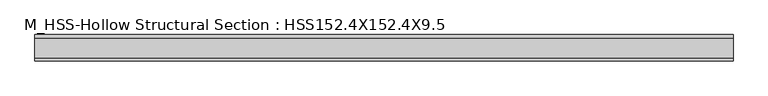
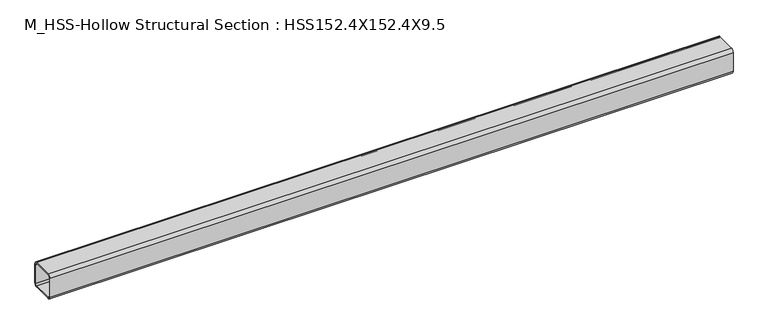
"""IFC4 building model written with IfcOpenShell, lengths in millimetres: member geometry, M_HSS-Hollow Structural Section : HSS152.4X152.4X9.5."""

import ifcopenshell
import ifcopenshell.guid

model = None  # the IFC model being written
_history = None  # IfcOwnerHistory: only IFC2X3 demands one
_inside = {}  # id of a spatial element -> (the spatial element, [elements in it])
_under = {}  # id of a project, library or spatial element -> (it, [spatial elements below it])
_declared = {}  # id of a project -> (the project, [libraries it declares])
_typed = {}  # id of a type object -> (the type object, [elements of that type])
_made_of = {}  # id of a material, layer set ... -> (it, [elements and type objects made of it])


def new_model(schema):
    """Start an empty IFC model of exactly this schema.

    Asked for "IFC4X3", IfcOpenShell would pick the latest addendum, in which some entities
    have other attributes; the version numbers below select the first issue.
    IFC2X3 requires an IfcOwnerHistory on every rooted entity: one is made here for all.
    """
    global model, _history
    if schema == "IFC4X3":
        model = ifcopenshell.file(schema_version=(4, 3, 0, 0))
    else:
        model = ifcopenshell.file(schema=schema)
    _inside.clear()
    _under.clear()
    _declared.clear()
    _typed.clear()
    _made_of.clear()
    _history = None
    if model.schema == "IFC2X3":
        org = make("IfcOrganization", Name="unknown")
        user = make(
            "IfcPersonAndOrganization",
            ThePerson=make("IfcPerson", FamilyName="unknown"),
            TheOrganization=org,
        )
        app = make(
            "IfcApplication",
            ApplicationDeveloper=org,
            Version="unknown",
            ApplicationFullName="unknown",
            ApplicationIdentifier="unknown",
        )
        _history = make(
            "IfcOwnerHistory",
            OwningUser=user,
            OwningApplication=app,
            ChangeAction="ADDED",
            CreationDate=0,
        )
    return model


def make(cls, **values):
    """One entity of the class cls with the attributes given. An attribute that is None is left unset."""
    return model.create_entity(
        cls, **{name: value for name, value in values.items() if value is not None}
    )


def rooted(cls, **values):
    """An entity with a GlobalId (a new one), such as an element, a storey or a relation."""
    return make(cls, GlobalId=ifcopenshell.guid.new(), OwnerHistory=_history, **values)


def si_unit(unit_type, name, prefix=None):
    """IfcSIUnit, for example si_unit("LENGTHUNIT", "METRE", prefix="MILLI")."""
    return make("IfcSIUnit", UnitType=unit_type, Prefix=prefix, Name=name)


def assignment(units):
    """IfcUnitAssignment: the units of a project."""
    return None if units is None else make("IfcUnitAssignment", Units=units)


def point(xyz):
    """IfcCartesianPoint."""
    return None if xyz is None else make("IfcCartesianPoint", Coordinates=xyz)


def direction(xyz):
    """IfcDirection."""
    return None if xyz is None else make("IfcDirection", DirectionRatios=xyz)


def frame(location, z_axis=None, x_axis=None):
    """IfcAxis2Placement3D, a coordinate frame: its origin and axes. An axis left out is left unset."""
    return make(
        "IfcAxis2Placement3D",
        Location=point(location),
        Axis=direction(z_axis),
        RefDirection=direction(x_axis),
    )


def frame_2d(location, x_axis=None):
    """IfcAxis2Placement2D, a coordinate frame in the plane: its origin and x axis."""
    return make(
        "IfcAxis2Placement2D", Location=point(location), RefDirection=direction(x_axis)
    )


def origin():
    """The frame at (0, 0, 0) with its axes left unset."""
    return frame((0.0, 0.0, 0.0))


def place(relative_to, where):
    """IfcLocalPlacement: puts the frame where relative to a parent placement (None: the world)."""
    return make(
        "IfcLocalPlacement", PlacementRelTo=relative_to, RelativePlacement=where
    )


def context(
    kind, dimensions, precision=None, world=None, true_north=None, identifier=None
):
    """IfcGeometricRepresentationContext, for example the 3D "Model" context."""
    return make(
        "IfcGeometricRepresentationContext",
        ContextIdentifier=identifier,
        ContextType=kind,
        CoordinateSpaceDimension=dimensions,
        Precision=precision,
        WorldCoordinateSystem=world,
        TrueNorth=true_north,
    )


def project(units=None, contexts=None):
    """IfcProject with its units and contexts."""
    return rooted(
        "IfcProject",
        Name="project",
        RepresentationContexts=contexts,
        UnitsInContext=assignment(units),
    )


def spatial(cls, under=None, at=None, **own):
    """A site, building, storey or space (cls), placed at a placement, below another one or the project."""
    s = rooted(cls, ObjectPlacement=at, **own)
    if under is not None:
        _under.setdefault(under.id(), (under, []))[1].append(s)
    return s


def polyline(points):
    """IfcPolyline through the points."""
    return make("IfcPolyline", Points=[point(p) for p in points])


def circle_curve(where, radius):
    """IfcCircle in the frame where."""
    return make("IfcCircle", Position=where, Radius=radius)


def trimmed(basis, trim1, trim2, sense, master):
    """IfcTrimmedCurve: the piece of a basis curve between two trims."""
    return make(
        "IfcTrimmedCurve",
        BasisCurve=basis,
        Trim1=trim1,
        Trim2=trim2,
        SenseAgreement=sense,
        MasterRepresentation=master,
    )


def segment(curve, same_sense, transition):
    """IfcCompositeCurveSegment."""
    return make(
        "IfcCompositeCurveSegment",
        Transition=transition,
        SameSense=same_sense,
        ParentCurve=curve,
    )


def composite_curve(segments, self_intersect=None):
    """IfcCompositeCurve: segments joined end to end."""
    return make("IfcCompositeCurve", Segments=segments, SelfIntersect=self_intersect)


def outline(outer, holes=None, kind="AREA"):
    """IfcArbitraryClosedProfileDef: a profile drawn as a closed curve; with holes, ...WithVoids."""
    if holes is None:
        return make("IfcArbitraryClosedProfileDef", ProfileType=kind, OuterCurve=outer)
    return make(
        "IfcArbitraryProfileDefWithVoids",
        ProfileType=kind,
        OuterCurve=outer,
        InnerCurves=holes,
    )


def extrude(swept, where, along, depth):
    """IfcExtrudedAreaSolid: the profile swept, set in the frame where, extruded along a direction by depth."""
    return make(
        "IfcExtrudedAreaSolid",
        SweptArea=swept,
        Position=where,
        ExtrudedDirection=direction(along),
        Depth=depth,
    )


def shape(context_of_items, identifier, shape_type, items):
    """IfcShapeRepresentation: the items that make up one representation, for example the "Body"."""
    return make(
        "IfcShapeRepresentation",
        ContextOfItems=context_of_items,
        RepresentationIdentifier=identifier,
        RepresentationType=shape_type,
        Items=items,
    )


def source(mapping_origin, context_of_items, identifier, shape_type, items):
    """IfcRepresentationMap: a shape defined once, which mapped items show again and again."""
    return make(
        "IfcRepresentationMap",
        MappingOrigin=mapping_origin,
        MappedRepresentation=shape(context_of_items, identifier, shape_type, items),
    )


def transform(
    local_origin,
    x_axis=None,
    y_axis=None,
    z_axis=None,
    scale=None,
    scale2=None,
    scale3=None,
    uniform=True,
):
    """IfcCartesianTransformationOperator3D, or its non-uniform kind. x_axis, y_axis, z_axis: its Axis1, 2, 3."""
    if uniform:
        return make(
            "IfcCartesianTransformationOperator3D",
            Axis1=direction(x_axis),
            Axis2=direction(y_axis),
            LocalOrigin=point(local_origin),
            Scale=scale,
            Axis3=direction(z_axis),
        )
    return make(
        "IfcCartesianTransformationOperator3DnonUniform",
        Axis1=direction(x_axis),
        Axis2=direction(y_axis),
        LocalOrigin=point(local_origin),
        Scale=scale,
        Axis3=direction(z_axis),
        Scale2=scale2,
        Scale3=scale3,
    )


def mapped(mapping_source, mapping_target):
    """IfcMappedItem: shows the shape of a source again, moved by a transform."""
    return make(
        "IfcMappedItem", MappingSource=mapping_source, MappingTarget=mapping_target
    )


def made_of(thing, what):
    """Note that an element or type object is made of a material, layer set ...; save() writes the relation."""
    if what is not None:
        _made_of.setdefault(what.id(), (what, []))[1].append(thing)
    return thing


def element(
    cls,
    number,
    at=None,
    inside=None,
    cuts=None,
    type_object=None,
    material=None,
    context=None,
    identifier="Body",
    shape_type=None,
    held_by="IfcProductDefinitionShape",
    body=None,
    shapes=None,
    **own,
):
    """One element of the class cls, such as IfcWall. Its Tag is "e" and its number.

    at: its placement. inside: the storey or other place that contains it. cuts: it is an
    opening in that element (IfcRelVoidsElement). A single representation is given by context,
    identifier, shape_type and body (its items); several are given by shapes. held_by: the class
    of the entity that holds the representations. save() writes the other relations.
    """
    e = rooted(cls, Tag="e%d" % number, ObjectPlacement=at, **own)
    if body is not None:
        shapes = [shape(context, identifier, shape_type, body)]
    if shapes is not None:
        e.Representation = make(held_by, Representations=shapes)
    if inside is not None:
        _inside.setdefault(inside.id(), (inside, []))[1].append(e)
    if cuts is not None:
        rooted(
            "IfcRelVoidsElement", RelatingBuildingElement=cuts, RelatedOpeningElement=e
        )
    if type_object is not None:
        _typed.setdefault(type_object.id(), (type_object, []))[1].append(e)
    return made_of(e, material)


def aggregate(whole, parts):
    """IfcRelAggregates: a whole, such as a stair, and the parts it consists of."""
    return rooted("IfcRelAggregates", RelatingObject=whole, RelatedObjects=parts)


def save(model, path):
    """Write the relations noted so far, then the file.

    IfcRelAggregates (storeys below a building ...), IfcRelContainedInSpatialStructure (elements
    in a storey), IfcRelDefinesByType, IfcRelAssociatesMaterial and IfcRelDeclares: one each for
    every whole, place, type object, material and project.
    """
    for whole, parts in _under.values():
        aggregate(whole, parts)
    for where, things in _inside.values():
        rooted(
            "IfcRelContainedInSpatialStructure",
            RelatedElements=things,
            RelatingStructure=where,
        )
    for kind, things in _typed.values():
        rooted("IfcRelDefinesByType", RelatedObjects=things, RelatingType=kind)
    for what, things in _made_of.values():
        rooted("IfcRelAssociatesMaterial", RelatedObjects=things, RelatingMaterial=what)
    for by, libraries in _declared.values():
        rooted("IfcRelDeclares", RelatingContext=by, RelatedDefinitions=libraries)
    model.write(path)


def m_hss_hollow_structural_section_hss152_4x152_4x9_5_652ee376(model_context):
    return source(origin(), model_context, "Body", "SweptSolid", [
        extrude(outline(composite_curve([segment(polyline([(76.0, 58.2), (76.0, -58.2)]), True, "CONTINUOUS"), segment(trimmed(circle_curve(frame_2d((58.2, -58.2)), 17.8), [point((76.0, -58.2))], [point((58.2, -76.0))], False, "CARTESIAN"), True, "CONTINUOUS"), segment(polyline([(58.2, -76.0), (-58.2, -76.0)]), True, "CONTINUOUS"), segment(trimmed(circle_curve(frame_2d((-58.2, -58.2)), 17.8), [point((-58.2, -76.0))], [point((-76.0, -58.2))], False, "CARTESIAN"), True, "CONTINUOUS"), segment(polyline([(-76.0, -58.2), (-76.0, 58.2)]), True, "CONTINUOUS"), segment(trimmed(circle_curve(frame_2d((-58.2, 58.2)), 17.8), [point((-76.0, 58.2))], [point((-58.2, 76.0))], False, "CARTESIAN"), True, "CONTINUOUS"), segment(polyline([(-58.2, 76.0), (58.2, 76.0)]), True, "CONTINUOUS"), segment(trimmed(circle_curve(frame_2d((58.2, 58.2)), 17.8), [point((58.2, 76.0))], [point((76.0, 58.2))], False, "CARTESIAN"), True, "CONTINUOUS")], self_intersect=False), holes=[composite_curve([segment(trimmed(circle_curve(frame_2d((-58.2, 58.2)), 8.9), [point((-58.2, 67.1))], [point((-67.1, 58.2))], True, "CARTESIAN"), True, "CONTINUOUS"), segment(polyline([(-67.1, 58.2), (-67.1, -58.2)]), True, "CONTINUOUS"), segment(trimmed(circle_curve(frame_2d((-58.2, -58.2)), 8.9), [point((-67.1, -58.2))], [point((-58.2, -67.1))], True, "CARTESIAN"), True, "CONTINUOUS"), segment(polyline([(-58.2, -67.1), (58.2, -67.1)]), True, "CONTINUOUS"), segment(trimmed(circle_curve(frame_2d((58.2, -58.2)), 8.9), [point((58.2, -67.1))], [point((67.1, -58.2))], True, "CARTESIAN"), True, "CONTINUOUS"), segment(polyline([(67.1, -58.2), (67.1, 58.2)]), True, "CONTINUOUS"), segment(trimmed(circle_curve(frame_2d((58.2, 58.2)), 8.9), [point((67.1, 58.2))], [point((58.2, 67.1))], True, "CARTESIAN"), True, "CONTINUOUS"), segment(polyline([(58.2, 67.1), (-58.2, 67.1)]), True, "CONTINUOUS")], self_intersect=False)]), frame((-1913.2141102, 0.0, 0.0), z_axis=(1.0, 0.0, 0.0), x_axis=(0.0, 1.0, 0.0)), (0.0, 0.0, 1.0), 4002.2477466),
    ])


if __name__ == "__main__":
    model = new_model("IFC4")
    model_context = context("Model", 3, world=origin())
    ifc_project = project(units=[si_unit("LENGTHUNIT", "METRE", prefix="MILLI")], contexts=[model_context])
    site = spatial("IfcSite", under=ifc_project)
    building = spatial("IfcBuilding", under=site)
    placement = place(None, origin())
    m_hss_hollow_structural_section_hss152_4x152_4x9_5_shape = m_hss_hollow_structural_section_hss152_4x152_4x9_5_652ee376(model_context)
    element("IfcMember", 1, ObjectType="M_HSS-Hollow Structural Section : HSS152.4X152.4X9.5", at=placement, inside=building, context=model_context, shape_type="MappedRepresentation", body=[
        mapped(m_hss_hollow_structural_section_hss152_4x152_4x9_5_shape, transform((0.0, 0.0, 0.0), x_axis=(1.0, 0.0, 0.0), y_axis=(0.0, 1.0, 0.0), z_axis=(0.0, 0.0, 1.0))),
    ])
    save(model, "model.ifc")
